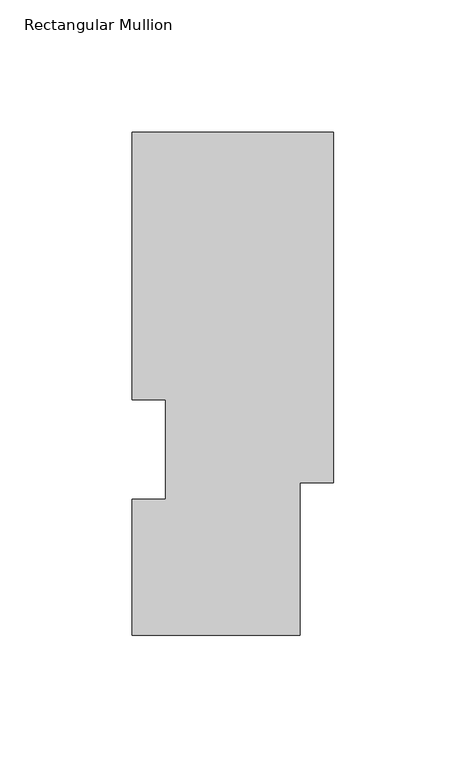
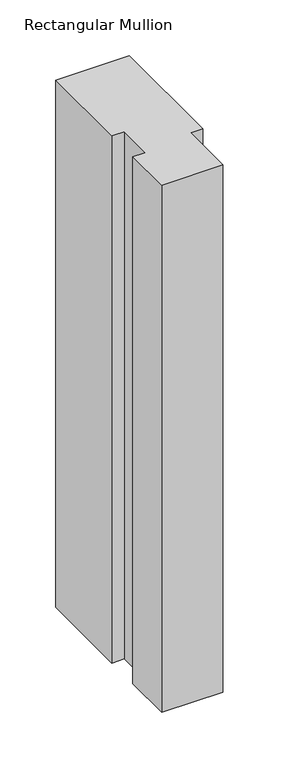
"""IFC4 building model written with IfcOpenShell, lengths in millimetres: member geometry, Rectangular Mullion."""

from ifc_helpers import new_model, si_unit, frame, origin, place, context, project, spatial, polyline, outline, extrude, source, transform, mapped, element, save


def rectangular_mullion_20429197(model_context):
    return source(origin(), model_context, "Body", "SweptSolid", [
        extrude(outline(polyline([(0.0, 190.6211892), (0.0, 58.2617892), (-12.7, 58.2617892), (-12.7, 0.4590159), (-76.2, 0.4590159), (-76.2, 51.9117892), (-63.5070325, 51.9117892), (-63.5070325, 89.5945313), (-76.2000001, 89.5945312), (-76.2000001, 190.6211892), (0.0, 190.6211892)])), frame((0.0, 0.0, -577.85), z_axis=(0.0, 0.0, 1.0), x_axis=(1.0, 0.0, 0.0)), (0.0, 0.0, 1.0), 577.85),
    ])


if __name__ == "__main__":
    model = new_model("IFC4")
    model_context = context("Model", 3, world=origin())
    ifc_project = project(units=[si_unit("LENGTHUNIT", "METRE", prefix="MILLI")], contexts=[model_context])
    site = spatial("IfcSite", under=ifc_project)
    building = spatial("IfcBuilding", under=site)
    placement = place(None, origin())
    rectangular_mullion_shape = rectangular_mullion_20429197(model_context)
    element("IfcMember", 1, ObjectType="Rectangular Mullion", at=placement, inside=building, context=model_context, shape_type="MappedRepresentation", body=[
        mapped(rectangular_mullion_shape, transform((0.0, 0.0, 0.0), x_axis=(1.0, 0.0, 0.0), y_axis=(0.0, 1.0, 0.0), z_axis=(0.0, 0.0, 1.0))),
    ])
    save(model, "model.ifc")
